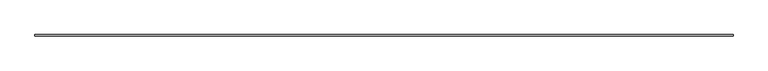
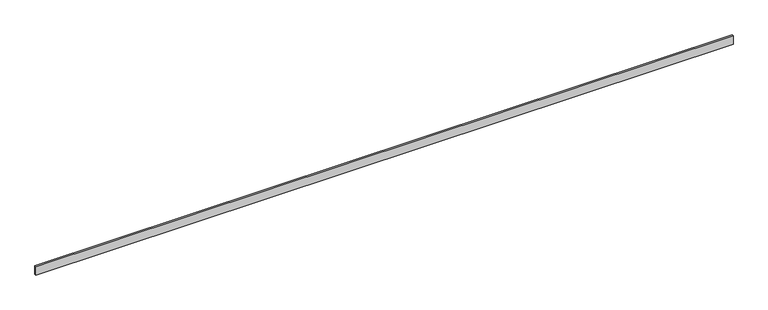
"""IFC4 building model written with IfcOpenShell, lengths in millimetres: beam geometry."""

from ifc_helpers import new_model, si_unit, frame, origin, place, context, project, spatial, polyline, outline, extrude, source, transform, mapped, element, save


def beam_4b335961(model_context):
    return source(origin(), model_context, "Body", "SweptSolid", [
        extrude(outline(polyline([(7924.8, -18.0), (-7924.8, -18.0), (-7924.8, 18.0), (7924.8, 18.0), (7924.8, -18.0)])), frame((0.0, 0.0, -100.0), z_axis=(0.0, 0.0, 1.0), x_axis=(1.0, 0.0, 0.0)), (0.0, 0.0, 1.0), 200.0),
    ])


if __name__ == "__main__":
    model = new_model("IFC4")
    model_context = context("Model", 3, world=origin())
    ifc_project = project(units=[si_unit("LENGTHUNIT", "METRE", prefix="MILLI")], contexts=[model_context])
    site = spatial("IfcSite", under=ifc_project)
    building = spatial("IfcBuilding", under=site)
    placement = place(None, origin())
    beam_shape = beam_4b335961(model_context)
    element("IfcBeam", 1, at=placement, inside=building, context=model_context, shape_type="MappedRepresentation", body=[
        mapped(beam_shape, transform((0.0, 0.0, 0.0), x_axis=(1.0, 0.0, 0.0), y_axis=(0.0, 1.0, 0.0), z_axis=(0.0, 0.0, 1.0))),
    ])
    save(model, "model.ifc")
